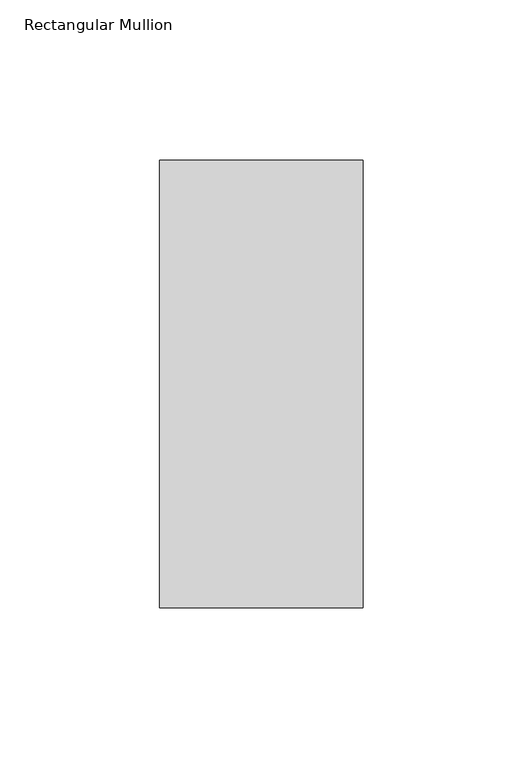
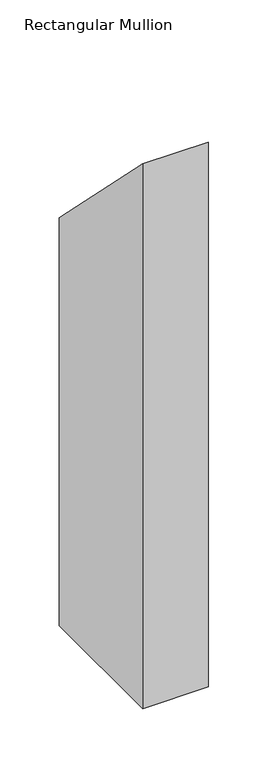
"""IFC4 building model written with IfcOpenShell, lengths in millimetres: member geometry, Rectangular Mullion."""

import ifcopenshell
import ifcopenshell.guid

model = None  # the IFC model being written
_history = None  # IfcOwnerHistory: only IFC2X3 demands one
_inside = {}  # id of a spatial element -> (the spatial element, [elements in it])
_under = {}  # id of a project, library or spatial element -> (it, [spatial elements below it])
_declared = {}  # id of a project -> (the project, [libraries it declares])
_typed = {}  # id of a type object -> (the type object, [elements of that type])
_made_of = {}  # id of a material, layer set ... -> (it, [elements and type objects made of it])


def new_model(schema):
    """Start an empty IFC model of exactly this schema.

    Asked for "IFC4X3", IfcOpenShell would pick the latest addendum, in which some entities
    have other attributes; the version numbers below select the first issue.
    IFC2X3 requires an IfcOwnerHistory on every rooted entity: one is made here for all.
    """
    global model, _history
    if schema == "IFC4X3":
        model = ifcopenshell.file(schema_version=(4, 3, 0, 0))
    else:
        model = ifcopenshell.file(schema=schema)
    _inside.clear()
    _under.clear()
    _declared.clear()
    _typed.clear()
    _made_of.clear()
    _history = None
    if model.schema == "IFC2X3":
        org = make("IfcOrganization", Name="unknown")
        user = make(
            "IfcPersonAndOrganization",
            ThePerson=make("IfcPerson", FamilyName="unknown"),
            TheOrganization=org,
        )
        app = make(
            "IfcApplication",
            ApplicationDeveloper=org,
            Version="unknown",
            ApplicationFullName="unknown",
            ApplicationIdentifier="unknown",
        )
        _history = make(
            "IfcOwnerHistory",
            OwningUser=user,
            OwningApplication=app,
            ChangeAction="ADDED",
            CreationDate=0,
        )
    return model


def make(cls, **values):
    """One entity of the class cls with the attributes given. An attribute that is None is left unset."""
    return model.create_entity(
        cls, **{name: value for name, value in values.items() if value is not None}
    )


def rooted(cls, **values):
    """An entity with a GlobalId (a new one), such as an element, a storey or a relation."""
    return make(cls, GlobalId=ifcopenshell.guid.new(), OwnerHistory=_history, **values)


def si_unit(unit_type, name, prefix=None):
    """IfcSIUnit, for example si_unit("LENGTHUNIT", "METRE", prefix="MILLI")."""
    return make("IfcSIUnit", UnitType=unit_type, Prefix=prefix, Name=name)


def assignment(units):
    """IfcUnitAssignment: the units of a project."""
    return None if units is None else make("IfcUnitAssignment", Units=units)


def point(xyz):
    """IfcCartesianPoint."""
    return None if xyz is None else make("IfcCartesianPoint", Coordinates=xyz)


def direction(xyz):
    """IfcDirection."""
    return None if xyz is None else make("IfcDirection", DirectionRatios=xyz)


def frame(location, z_axis=None, x_axis=None):
    """IfcAxis2Placement3D, a coordinate frame: its origin and axes. An axis left out is left unset."""
    return make(
        "IfcAxis2Placement3D",
        Location=point(location),
        Axis=direction(z_axis),
        RefDirection=direction(x_axis),
    )


def origin():
    """The frame at (0, 0, 0) with its axes left unset."""
    return frame((0.0, 0.0, 0.0))


def place(relative_to, where):
    """IfcLocalPlacement: puts the frame where relative to a parent placement (None: the world)."""
    return make(
        "IfcLocalPlacement", PlacementRelTo=relative_to, RelativePlacement=where
    )


def context(
    kind, dimensions, precision=None, world=None, true_north=None, identifier=None
):
    """IfcGeometricRepresentationContext, for example the 3D "Model" context."""
    return make(
        "IfcGeometricRepresentationContext",
        ContextIdentifier=identifier,
        ContextType=kind,
        CoordinateSpaceDimension=dimensions,
        Precision=precision,
        WorldCoordinateSystem=world,
        TrueNorth=true_north,
    )


def project(units=None, contexts=None):
    """IfcProject with its units and contexts."""
    return rooted(
        "IfcProject",
        Name="project",
        RepresentationContexts=contexts,
        UnitsInContext=assignment(units),
    )


def spatial(cls, under=None, at=None, **own):
    """A site, building, storey or space (cls), placed at a placement, below another one or the project."""
    s = rooted(cls, ObjectPlacement=at, **own)
    if under is not None:
        _under.setdefault(under.id(), (under, []))[1].append(s)
    return s


def polyline(points):
    """IfcPolyline through the points."""
    return make("IfcPolyline", Points=[point(p) for p in points])


def outline(outer, holes=None, kind="AREA"):
    """IfcArbitraryClosedProfileDef: a profile drawn as a closed curve; with holes, ...WithVoids."""
    if holes is None:
        return make("IfcArbitraryClosedProfileDef", ProfileType=kind, OuterCurve=outer)
    return make(
        "IfcArbitraryProfileDefWithVoids",
        ProfileType=kind,
        OuterCurve=outer,
        InnerCurves=holes,
    )


def extrude(swept, where, along, depth):
    """IfcExtrudedAreaSolid: the profile swept, set in the frame where, extruded along a direction by depth."""
    return make(
        "IfcExtrudedAreaSolid",
        SweptArea=swept,
        Position=where,
        ExtrudedDirection=direction(along),
        Depth=depth,
    )


def shape(context_of_items, identifier, shape_type, items):
    """IfcShapeRepresentation: the items that make up one representation, for example the "Body"."""
    return make(
        "IfcShapeRepresentation",
        ContextOfItems=context_of_items,
        RepresentationIdentifier=identifier,
        RepresentationType=shape_type,
        Items=items,
    )


def source(mapping_origin, context_of_items, identifier, shape_type, items):
    """IfcRepresentationMap: a shape defined once, which mapped items show again and again."""
    return make(
        "IfcRepresentationMap",
        MappingOrigin=mapping_origin,
        MappedRepresentation=shape(context_of_items, identifier, shape_type, items),
    )


def transform(
    local_origin,
    x_axis=None,
    y_axis=None,
    z_axis=None,
    scale=None,
    scale2=None,
    scale3=None,
    uniform=True,
):
    """IfcCartesianTransformationOperator3D, or its non-uniform kind. x_axis, y_axis, z_axis: its Axis1, 2, 3."""
    if uniform:
        return make(
            "IfcCartesianTransformationOperator3D",
            Axis1=direction(x_axis),
            Axis2=direction(y_axis),
            LocalOrigin=point(local_origin),
            Scale=scale,
            Axis3=direction(z_axis),
        )
    return make(
        "IfcCartesianTransformationOperator3DnonUniform",
        Axis1=direction(x_axis),
        Axis2=direction(y_axis),
        LocalOrigin=point(local_origin),
        Scale=scale,
        Axis3=direction(z_axis),
        Scale2=scale2,
        Scale3=scale3,
    )


def mapped(mapping_source, mapping_target):
    """IfcMappedItem: shows the shape of a source again, moved by a transform."""
    return make(
        "IfcMappedItem", MappingSource=mapping_source, MappingTarget=mapping_target
    )


def made_of(thing, what):
    """Note that an element or type object is made of a material, layer set ...; save() writes the relation."""
    if what is not None:
        _made_of.setdefault(what.id(), (what, []))[1].append(thing)
    return thing


def element(
    cls,
    number,
    at=None,
    inside=None,
    cuts=None,
    type_object=None,
    material=None,
    context=None,
    identifier="Body",
    shape_type=None,
    held_by="IfcProductDefinitionShape",
    body=None,
    shapes=None,
    **own,
):
    """One element of the class cls, such as IfcWall. Its Tag is "e" and its number.

    at: its placement. inside: the storey or other place that contains it. cuts: it is an
    opening in that element (IfcRelVoidsElement). A single representation is given by context,
    identifier, shape_type and body (its items); several are given by shapes. held_by: the class
    of the entity that holds the representations. save() writes the other relations.
    """
    e = rooted(cls, Tag="e%d" % number, ObjectPlacement=at, **own)
    if body is not None:
        shapes = [shape(context, identifier, shape_type, body)]
    if shapes is not None:
        e.Representation = make(held_by, Representations=shapes)
    if inside is not None:
        _inside.setdefault(inside.id(), (inside, []))[1].append(e)
    if cuts is not None:
        rooted(
            "IfcRelVoidsElement", RelatingBuildingElement=cuts, RelatedOpeningElement=e
        )
    if type_object is not None:
        _typed.setdefault(type_object.id(), (type_object, []))[1].append(e)
    return made_of(e, material)


def aggregate(whole, parts):
    """IfcRelAggregates: a whole, such as a stair, and the parts it consists of."""
    return rooted("IfcRelAggregates", RelatingObject=whole, RelatedObjects=parts)


def save(model, path):
    """Write the relations noted so far, then the file.

    IfcRelAggregates (storeys below a building ...), IfcRelContainedInSpatialStructure (elements
    in a storey), IfcRelDefinesByType, IfcRelAssociatesMaterial and IfcRelDeclares: one each for
    every whole, place, type object, material and project.
    """
    for whole, parts in _under.values():
        aggregate(whole, parts)
    for where, things in _inside.values():
        rooted(
            "IfcRelContainedInSpatialStructure",
            RelatedElements=things,
            RelatingStructure=where,
        )
    for kind, things in _typed.values():
        rooted("IfcRelDefinesByType", RelatedObjects=things, RelatingType=kind)
    for what, things in _made_of.values():
        rooted("IfcRelAssociatesMaterial", RelatedObjects=things, RelatingMaterial=what)
    for by, libraries in _declared.values():
        rooted("IfcRelDeclares", RelatingContext=by, RelatedDefinitions=libraries)
    model.write(path)


def rectangular_mullion_1edb856a(model_context):
    return source(origin(), model_context, "Body", "SweptSolid", [
        extrude(outline(polyline([(50.8202784, -50.8202784), (190.7881317, -190.7881317), (190.7881317, -609.56825), (50.8202784, -609.56825), (50.8202784, -50.8202784)])), frame((-63.5, 0.0, 0.0), z_axis=(1.0, 0.0, 0.0), x_axis=(0.0, 1.0, 0.0)), (0.0, 0.0, 1.0), 63.5),
    ])


if __name__ == "__main__":
    model = new_model("IFC4")
    model_context = context("Model", 3, world=origin())
    ifc_project = project(units=[si_unit("LENGTHUNIT", "METRE", prefix="MILLI")], contexts=[model_context])
    site = spatial("IfcSite", under=ifc_project)
    building = spatial("IfcBuilding", under=site)
    placement = place(None, origin())
    rectangular_mullion_shape = rectangular_mullion_1edb856a(model_context)
    element("IfcMember", 1, ObjectType="Rectangular Mullion", at=placement, inside=building, context=model_context, shape_type="MappedRepresentation", body=[
        mapped(rectangular_mullion_shape, transform((0.0, 0.0, 0.0), x_axis=(1.0, 0.0, 0.0), y_axis=(0.0, 1.0, 0.0), z_axis=(0.0, 0.0, 1.0))),
    ])
    save(model, "model.ifc")
